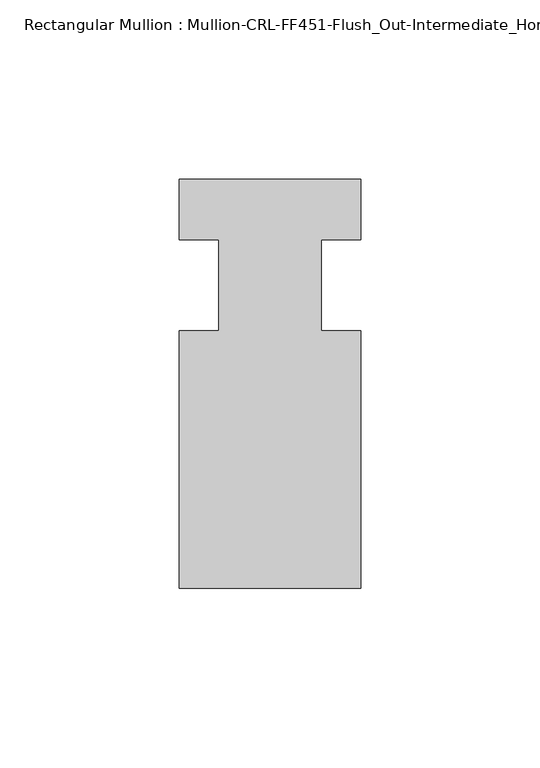
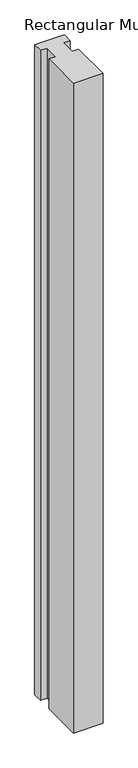
"""IFC4 building model written with IfcOpenShell, lengths in millimetres: member geometry, Rectangular Mullion : Mullion-CRL-FF451-Flush_Out-Intermediate_Horizontal-Ext."""

import ifcopenshell
import ifcopenshell.guid

model = None  # the IFC model being written
_history = None  # IfcOwnerHistory: only IFC2X3 demands one
_inside = {}  # id of a spatial element -> (the spatial element, [elements in it])
_under = {}  # id of a project, library or spatial element -> (it, [spatial elements below it])
_declared = {}  # id of a project -> (the project, [libraries it declares])
_typed = {}  # id of a type object -> (the type object, [elements of that type])
_made_of = {}  # id of a material, layer set ... -> (it, [elements and type objects made of it])


def new_model(schema):
    """Start an empty IFC model of exactly this schema.

    Asked for "IFC4X3", IfcOpenShell would pick the latest addendum, in which some entities
    have other attributes; the version numbers below select the first issue.
    IFC2X3 requires an IfcOwnerHistory on every rooted entity: one is made here for all.
    """
    global model, _history
    if schema == "IFC4X3":
        model = ifcopenshell.file(schema_version=(4, 3, 0, 0))
    else:
        model = ifcopenshell.file(schema=schema)
    _inside.clear()
    _under.clear()
    _declared.clear()
    _typed.clear()
    _made_of.clear()
    _history = None
    if model.schema == "IFC2X3":
        org = make("IfcOrganization", Name="unknown")
        user = make(
            "IfcPersonAndOrganization",
            ThePerson=make("IfcPerson", FamilyName="unknown"),
            TheOrganization=org,
        )
        app = make(
            "IfcApplication",
            ApplicationDeveloper=org,
            Version="unknown",
            ApplicationFullName="unknown",
            ApplicationIdentifier="unknown",
        )
        _history = make(
            "IfcOwnerHistory",
            OwningUser=user,
            OwningApplication=app,
            ChangeAction="ADDED",
            CreationDate=0,
        )
    return model


def make(cls, **values):
    """One entity of the class cls with the attributes given. An attribute that is None is left unset."""
    return model.create_entity(
        cls, **{name: value for name, value in values.items() if value is not None}
    )


def rooted(cls, **values):
    """An entity with a GlobalId (a new one), such as an element, a storey or a relation."""
    return make(cls, GlobalId=ifcopenshell.guid.new(), OwnerHistory=_history, **values)


def si_unit(unit_type, name, prefix=None):
    """IfcSIUnit, for example si_unit("LENGTHUNIT", "METRE", prefix="MILLI")."""
    return make("IfcSIUnit", UnitType=unit_type, Prefix=prefix, Name=name)


def assignment(units):
    """IfcUnitAssignment: the units of a project."""
    return None if units is None else make("IfcUnitAssignment", Units=units)


def point(xyz):
    """IfcCartesianPoint."""
    return None if xyz is None else make("IfcCartesianPoint", Coordinates=xyz)


def direction(xyz):
    """IfcDirection."""
    return None if xyz is None else make("IfcDirection", DirectionRatios=xyz)


def frame(location, z_axis=None, x_axis=None):
    """IfcAxis2Placement3D, a coordinate frame: its origin and axes. An axis left out is left unset."""
    return make(
        "IfcAxis2Placement3D",
        Location=point(location),
        Axis=direction(z_axis),
        RefDirection=direction(x_axis),
    )


def origin():
    """The frame at (0, 0, 0) with its axes left unset."""
    return frame((0.0, 0.0, 0.0))


def place(relative_to, where):
    """IfcLocalPlacement: puts the frame where relative to a parent placement (None: the world)."""
    return make(
        "IfcLocalPlacement", PlacementRelTo=relative_to, RelativePlacement=where
    )


def context(
    kind, dimensions, precision=None, world=None, true_north=None, identifier=None
):
    """IfcGeometricRepresentationContext, for example the 3D "Model" context."""
    return make(
        "IfcGeometricRepresentationContext",
        ContextIdentifier=identifier,
        ContextType=kind,
        CoordinateSpaceDimension=dimensions,
        Precision=precision,
        WorldCoordinateSystem=world,
        TrueNorth=true_north,
    )


def project(units=None, contexts=None):
    """IfcProject with its units and contexts."""
    return rooted(
        "IfcProject",
        Name="project",
        RepresentationContexts=contexts,
        UnitsInContext=assignment(units),
    )


def spatial(cls, under=None, at=None, **own):
    """A site, building, storey or space (cls), placed at a placement, below another one or the project."""
    s = rooted(cls, ObjectPlacement=at, **own)
    if under is not None:
        _under.setdefault(under.id(), (under, []))[1].append(s)
    return s


def polyline(points):
    """IfcPolyline through the points."""
    return make("IfcPolyline", Points=[point(p) for p in points])


def outline(outer, holes=None, kind="AREA"):
    """IfcArbitraryClosedProfileDef: a profile drawn as a closed curve; with holes, ...WithVoids."""
    if holes is None:
        return make("IfcArbitraryClosedProfileDef", ProfileType=kind, OuterCurve=outer)
    return make(
        "IfcArbitraryProfileDefWithVoids",
        ProfileType=kind,
        OuterCurve=outer,
        InnerCurves=holes,
    )


def extrude(swept, where, along, depth):
    """IfcExtrudedAreaSolid: the profile swept, set in the frame where, extruded along a direction by depth."""
    return make(
        "IfcExtrudedAreaSolid",
        SweptArea=swept,
        Position=where,
        ExtrudedDirection=direction(along),
        Depth=depth,
    )


def shape(context_of_items, identifier, shape_type, items):
    """IfcShapeRepresentation: the items that make up one representation, for example the "Body"."""
    return make(
        "IfcShapeRepresentation",
        ContextOfItems=context_of_items,
        RepresentationIdentifier=identifier,
        RepresentationType=shape_type,
        Items=items,
    )


def source(mapping_origin, context_of_items, identifier, shape_type, items):
    """IfcRepresentationMap: a shape defined once, which mapped items show again and again."""
    return make(
        "IfcRepresentationMap",
        MappingOrigin=mapping_origin,
        MappedRepresentation=shape(context_of_items, identifier, shape_type, items),
    )


def transform(
    local_origin,
    x_axis=None,
    y_axis=None,
    z_axis=None,
    scale=None,
    scale2=None,
    scale3=None,
    uniform=True,
):
    """IfcCartesianTransformationOperator3D, or its non-uniform kind. x_axis, y_axis, z_axis: its Axis1, 2, 3."""
    if uniform:
        return make(
            "IfcCartesianTransformationOperator3D",
            Axis1=direction(x_axis),
            Axis2=direction(y_axis),
            LocalOrigin=point(local_origin),
            Scale=scale,
            Axis3=direction(z_axis),
        )
    return make(
        "IfcCartesianTransformationOperator3DnonUniform",
        Axis1=direction(x_axis),
        Axis2=direction(y_axis),
        LocalOrigin=point(local_origin),
        Scale=scale,
        Axis3=direction(z_axis),
        Scale2=scale2,
        Scale3=scale3,
    )


def mapped(mapping_source, mapping_target):
    """IfcMappedItem: shows the shape of a source again, moved by a transform."""
    return make(
        "IfcMappedItem", MappingSource=mapping_source, MappingTarget=mapping_target
    )


def made_of(thing, what):
    """Note that an element or type object is made of a material, layer set ...; save() writes the relation."""
    if what is not None:
        _made_of.setdefault(what.id(), (what, []))[1].append(thing)
    return thing


def element(
    cls,
    number,
    at=None,
    inside=None,
    cuts=None,
    type_object=None,
    material=None,
    context=None,
    identifier="Body",
    shape_type=None,
    held_by="IfcProductDefinitionShape",
    body=None,
    shapes=None,
    **own,
):
    """One element of the class cls, such as IfcWall. Its Tag is "e" and its number.

    at: its placement. inside: the storey or other place that contains it. cuts: it is an
    opening in that element (IfcRelVoidsElement). A single representation is given by context,
    identifier, shape_type and body (its items); several are given by shapes. held_by: the class
    of the entity that holds the representations. save() writes the other relations.
    """
    e = rooted(cls, Tag="e%d" % number, ObjectPlacement=at, **own)
    if body is not None:
        shapes = [shape(context, identifier, shape_type, body)]
    if shapes is not None:
        e.Representation = make(held_by, Representations=shapes)
    if inside is not None:
        _inside.setdefault(inside.id(), (inside, []))[1].append(e)
    if cuts is not None:
        rooted(
            "IfcRelVoidsElement", RelatingBuildingElement=cuts, RelatedOpeningElement=e
        )
    if type_object is not None:
        _typed.setdefault(type_object.id(), (type_object, []))[1].append(e)
    return made_of(e, material)


def aggregate(whole, parts):
    """IfcRelAggregates: a whole, such as a stair, and the parts it consists of."""
    return rooted("IfcRelAggregates", RelatingObject=whole, RelatedObjects=parts)


def save(model, path):
    """Write the relations noted so far, then the file.

    IfcRelAggregates (storeys below a building ...), IfcRelContainedInSpatialStructure (elements
    in a storey), IfcRelDefinesByType, IfcRelAssociatesMaterial and IfcRelDeclares: one each for
    every whole, place, type object, material and project.
    """
    for whole, parts in _under.values():
        aggregate(whole, parts)
    for where, things in _inside.values():
        rooted(
            "IfcRelContainedInSpatialStructure",
            RelatedElements=things,
            RelatingStructure=where,
        )
    for kind, things in _typed.values():
        rooted("IfcRelDefinesByType", RelatedObjects=things, RelatingType=kind)
    for what, things in _made_of.values():
        rooted("IfcRelAssociatesMaterial", RelatedObjects=things, RelatingMaterial=what)
    for by, libraries in _declared.values():
        rooted("IfcRelDeclares", RelatingContext=by, RelatedDefinitions=libraries)
    model.write(path)


def rectangular_mullion_mullion_crl_ff451_flush_out_intermediate_c552dd97(model_context):
    return source(origin(), model_context, "Body", "SweptSolid", [
        extrude(outline(polyline([(21.4290159, -84.6650108), (-29.3709841, -84.6650108), (-29.3709841, -12.7), (-18.2682251, -12.7), (-18.2682251, 12.7), (-29.3709841, 12.7), (-29.3709841, 29.6349892), (21.4290159, 29.6349892), (21.4290159, 12.7), (10.3165159, 12.7), (10.3165159, -12.7), (21.4290159, -12.7), (21.4290159, -84.6650108)])), frame((0.0, 0.0, -1173.6462987), z_axis=(0.0, 0.0, 1.0), x_axis=(1.0, 0.0, 0.0)), (0.0, 0.0, 1.0), 1173.6462987),
    ])


if __name__ == "__main__":
    model = new_model("IFC4")
    model_context = context("Model", 3, world=origin())
    ifc_project = project(units=[si_unit("LENGTHUNIT", "METRE", prefix="MILLI")], contexts=[model_context])
    site = spatial("IfcSite", under=ifc_project)
    building = spatial("IfcBuilding", under=site)
    placement = place(None, origin())
    rectangular_mullion_mullion_crl_ff451_flush_out_intermediate_shape = rectangular_mullion_mullion_crl_ff451_flush_out_intermediate_c552dd97(model_context)
    element("IfcMember", 1, ObjectType="Rectangular Mullion : Mullion-CRL-FF451-Flush_Out-Intermediate_Horizontal-Ext", at=placement, inside=building, context=model_context, shape_type="MappedRepresentation", body=[
        mapped(rectangular_mullion_mullion_crl_ff451_flush_out_intermediate_shape, transform((0.0, 0.0, 0.0), x_axis=(1.0, 0.0, 0.0), y_axis=(0.0, 1.0, 0.0), z_axis=(0.0, 0.0, 1.0))),
    ])
    save(model, "model.ifc")
